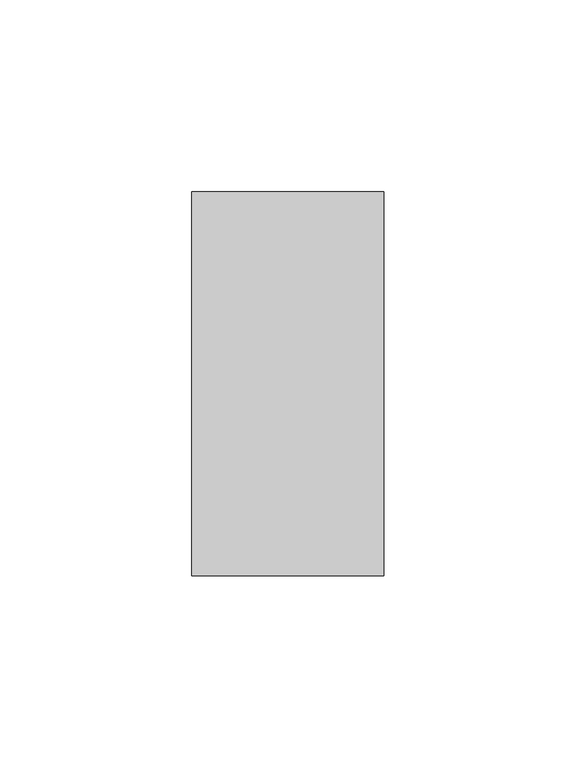
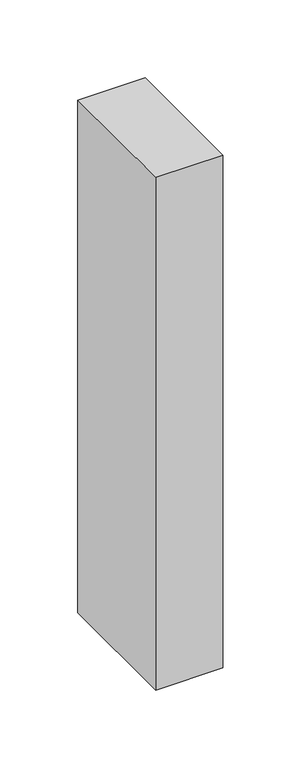
"""IFC4 building model written with IfcOpenShell, lengths in millimetres: member geometry."""

from ifc_helpers import new_model, si_unit, frame, origin, place, context, project, spatial, polyline, outline, extrude, source, transform, mapped, element, save


def member_657ee616(model_context):
    return source(origin(), model_context, "Body", "SweptSolid", [
        extrude(outline(polyline([(25.0, 50.0), (25.0, -50.0), (-25.0, -50.0), (-25.0, 50.0), (25.0, 50.0)])), frame((0.0, 0.0, -402.5), z_axis=(0.0, 0.0, 1.0), x_axis=(1.0, 0.0, 0.0)), (0.0, 0.0, 1.0), 402.5),
    ])


if __name__ == "__main__":
    model = new_model("IFC4")
    model_context = context("Model", 3, world=origin())
    ifc_project = project(units=[si_unit("LENGTHUNIT", "METRE", prefix="MILLI")], contexts=[model_context])
    site = spatial("IfcSite", under=ifc_project)
    building = spatial("IfcBuilding", under=site)
    placement = place(None, origin())
    member_shape = member_657ee616(model_context)
    element("IfcMember", 1, at=placement, inside=building, context=model_context, shape_type="MappedRepresentation", body=[
        mapped(member_shape, transform((0.0, 0.0, 0.0), x_axis=(1.0, 0.0, 0.0), y_axis=(0.0, 1.0, 0.0), z_axis=(0.0, 0.0, 1.0))),
    ])
    save(model, "model.ifc")
